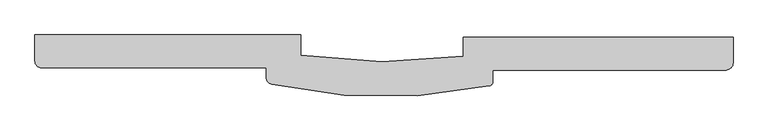
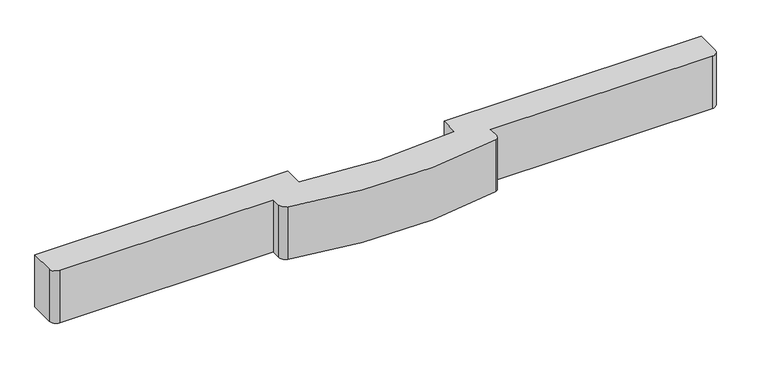
"""IFC4 building model written with IfcOpenShell, lengths in millimetres: furniture geometry."""

from ifc_helpers import new_model, si_unit, point, frame, frame_2d, origin, place, context, project, spatial, polyline, circle_curve, trimmed, segment, composite_curve, outline, extrude, source, transform, mapped, element, save


def furniture_aad9d6eb(model_context):
    return source(origin(), model_context, "Body", "SweptSolid", [
        extrude(outline(composite_curve([segment(polyline([(1621.2582044, 111670.6107518), (7343.6568053, 111670.6107518), (7343.6568053, 111125.8617099)]), True, "CONTINUOUS"), segment(trimmed(circle_curve(frame_2d((7195.8714679, 111125.8617099)), 147.7853374), [point((7343.6568053, 111125.8617099))], [point((7195.8714679, 110978.0763725))], False, "CARTESIAN"), True, "CONTINUOUS"), segment(polyline([(7195.8714679, 110978.0763725), (2252.510767, 110978.0763725), (2252.510767, 110737.6224557)]), True, "CONTINUOUS"), segment(trimmed(circle_curve(frame_2d((2156.2718653, 110737.6224557)), 96.2389017), [point((2252.510767, 110737.6224557))], [point((2176.0561603, 110643.439082))], False, "CARTESIAN"), True, "CONTINUOUS"), segment(trimmed(circle_curve(frame_2d((-48.5638832, 121233.7694976)), 10821.4616688), [point((2176.0561603, 110643.439082))], [point((-2433.7374454, 110678.4400509))], False, "CARTESIAN"), True, "CONTINUOUS"), segment(trimmed(circle_curve(frame_2d((-2399.5461735, 110829.749853)), 155.1247861), [point((-2433.7374454, 110678.4400509))], [point((-2554.6709596, 110829.749853))], False, "CARTESIAN"), True, "CONTINUOUS"), segment(polyline([(-2554.6709596, 110829.749853), (-2554.6709596, 111021.7861397), (-7312.6657221, 111021.7861397)]), True, "CONTINUOUS"), segment(trimmed(circle_curve(frame_2d((-7312.6657221, 111168.2844748)), 146.4983351), [point((-7312.6657221, 111021.7861397))], [point((-7459.1640572, 111168.2844748))], False, "CARTESIAN"), True, "CONTINUOUS"), segment(polyline([(-7459.1640572, 111168.2844748), (-7459.1640572, 111722.4280108), (-1826.7819046, 111722.4280108), (-1826.7819046, 111294.2579784)]), True, "CONTINUOUS"), segment(trimmed(circle_curve(frame_2d((-12.9021753, 122965.877952)), 11811.7260584), [point((-1826.7819046, 111294.2579784))], [point((1621.2582044, 111267.7416759))], True, "CARTESIAN"), True, "CONTINUOUS"), segment(polyline([(1621.2582044, 111267.7416759), (1621.2582044, 111670.6107518)]), True, "CONTINUOUS")], self_intersect=False)), frame((0.0, 0.0, -2840.0), z_axis=(0.0, 0.0, 1.0), x_axis=(1.0, 0.0, 0.0)), (0.0, 0.0, 1.0), 1231.1058163),
    ])


if __name__ == "__main__":
    model = new_model("IFC4")
    model_context = context("Model", 3, world=origin())
    ifc_project = project(units=[si_unit("LENGTHUNIT", "METRE", prefix="MILLI")], contexts=[model_context])
    site = spatial("IfcSite", under=ifc_project)
    building = spatial("IfcBuilding", under=site)
    placement = place(None, origin())
    furniture_shape = furniture_aad9d6eb(model_context)
    element("IfcFurniture", 1, at=placement, inside=building, context=model_context, shape_type="MappedRepresentation", body=[
        mapped(furniture_shape, transform((0.0, 0.0, 0.0), x_axis=(1.0, 0.0, 0.0), y_axis=(0.0, 1.0, 0.0), z_axis=(0.0, 0.0, 1.0))),
    ])
    save(model, "model.ifc")
